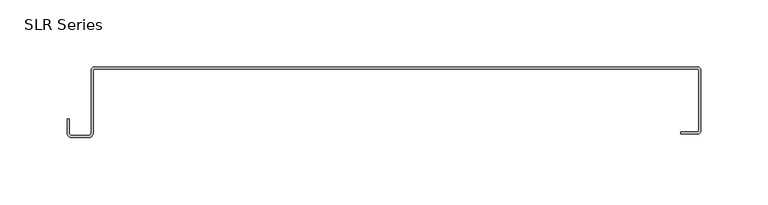
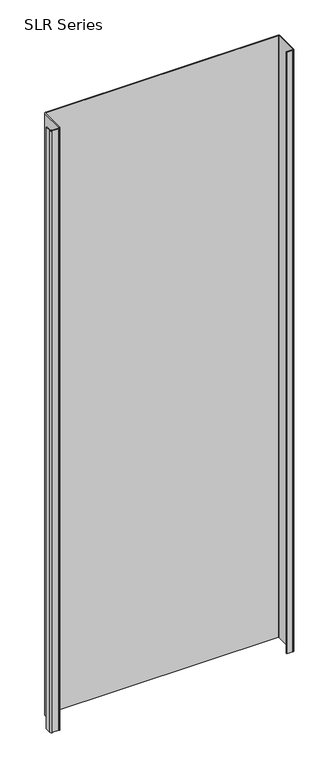
"""IFC4 building model written with IfcOpenShell, lengths in millimetres: plate geometry, SLR Series."""

from ifc_helpers import new_model, si_unit, point, frame_2d, origin, origin_with_axes, place, context, project, spatial, polyline, circle_curve, trimmed, segment, composite_curve, outline, extrude, source, transform, mapped, element, save


def slr_series_11703ba4(model_context):
    return source(origin(), model_context, "Body", "SweptSolid", [
        extrude(outline(composite_curve([segment(trimmed(circle_curve(frame_2d((-226.6888251, -49.163617)), 3.5323605), [point((-223.1564646, -49.163617))], [point((-226.6888251, -52.6959775))], False, "CARTESIAN"), True, "CONTINUOUS"), segment(polyline([(-226.6888251, -52.6959775), (-239.074675, -52.6959775)]), True, "CONTINUOUS"), segment(trimmed(circle_curve(frame_2d((-239.074675, -49.163617)), 3.5323605), [point((-239.074675, -52.6959775))], [point((-242.6070355, -49.163617))], False, "CARTESIAN"), True, "CONTINUOUS"), segment(polyline([(-242.6070355, -49.163617), (-242.6070355, -38.7571098), (-241.0540178, -38.7571098), (-241.0540178, -49.163617)]), True, "CONTINUOUS"), segment(trimmed(circle_curve(frame_2d((-239.074675, -49.163617)), 1.9793427), [point((-241.0540178, -49.163617))], [point((-239.074675, -51.1429598))], True, "CARTESIAN"), True, "CONTINUOUS"), segment(polyline([(-239.074675, -51.1429598), (-226.6888251, -51.1429598)]), True, "CONTINUOUS"), segment(trimmed(circle_curve(frame_2d((-226.6888251, -49.163617)), 1.9793427), [point((-226.6888251, -51.1429598))], [point((-224.7094824, -49.163617))], True, "CARTESIAN"), True, "CONTINUOUS"), segment(polyline([(-224.7094824, -49.163617), (-224.7094824, -2.7245977)]), True, "CONTINUOUS"), segment(trimmed(circle_curve(frame_2d((-221.9842262, -2.7245977)), 2.7252562), [point((-224.7094824, -2.7245977))], [point((-222.0441314, 0.0))], False, "CARTESIAN"), True, "CONTINUOUS"), segment(polyline([(-222.0441314, 0.0), (226.5762297, 0.0)]), True, "CONTINUOUS"), segment(trimmed(circle_curve(frame_2d((226.6272458, -2.7222761)), 2.722754), [point((226.5762297, 0.0))], [point((229.3499998, -2.7222761))], False, "CARTESIAN"), True, "CONTINUOUS"), segment(polyline([(229.3499998, -2.7222761), (229.3499998, -47.3470247)]), True, "CONTINUOUS"), segment(trimmed(circle_curve(frame_2d((226.5762297, -47.3470247)), 2.7737702), [point((229.3499998, -47.3470247))], [point((226.5762297, -50.1207949))], False, "CARTESIAN"), True, "CONTINUOUS"), segment(polyline([(226.5762297, -50.1207949), (214.496908, -50.1207949), (214.496908, -48.5030605), (226.5762297, -48.5030605)]), True, "CONTINUOUS"), segment(trimmed(circle_curve(frame_2d((226.5762297, -47.3470247)), 1.1560358), [point((226.5762297, -48.5030605))], [point((227.7322655, -47.3470247))], True, "CARTESIAN"), True, "CONTINUOUS"), segment(polyline([(227.7322655, -47.3470247), (227.7322655, -2.5847858)]), True, "CONTINUOUS"), segment(trimmed(circle_curve(frame_2d((226.5762297, -2.5847858)), 1.1560358), [point((227.7322655, -2.5847858))], [point((226.5762297, -1.42875))], True, "CARTESIAN"), True, "CONTINUOUS"), segment(polyline([(226.5762297, -1.42875), (-222.0441314, -1.42875)]), True, "CONTINUOUS"), segment(trimmed(circle_curve(frame_2d((-222.0441314, -2.5410832)), 1.1123332), [point((-222.0441314, -1.42875))], [point((-223.1564646, -2.5410832))], True, "CARTESIAN"), True, "CONTINUOUS"), segment(polyline([(-223.1564646, -2.5410832), (-223.1564646, -49.163617)]), True, "CONTINUOUS")], self_intersect=False)), origin_with_axes(), (0.0, 0.0, 1.0), 1228.3559792),
    ])


if __name__ == "__main__":
    model = new_model("IFC4")
    model_context = context("Model", 3, world=origin())
    ifc_project = project(units=[si_unit("LENGTHUNIT", "METRE", prefix="MILLI")], contexts=[model_context])
    site = spatial("IfcSite", under=ifc_project)
    building = spatial("IfcBuilding", under=site)
    placement = place(None, origin())
    slr_series_shape = slr_series_11703ba4(model_context)
    element("IfcPlate", 1, ObjectType="SLR Series", at=placement, inside=building, context=model_context, shape_type="MappedRepresentation", body=[
        mapped(slr_series_shape, transform((0.0, 0.0, 0.0), x_axis=(1.0, 0.0, 0.0), y_axis=(0.0, 1.0, 0.0), z_axis=(0.0, 0.0, 1.0))),
    ])
    save(model, "model.ifc")
